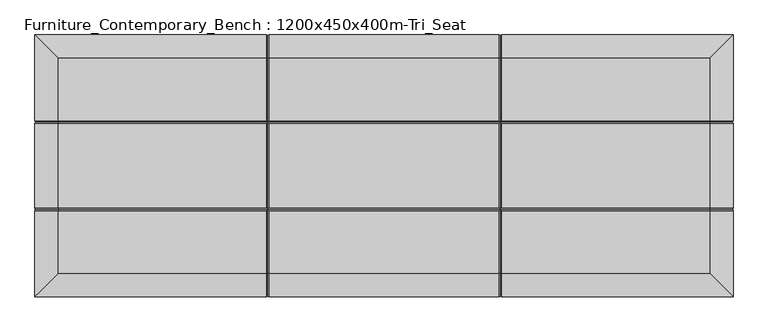
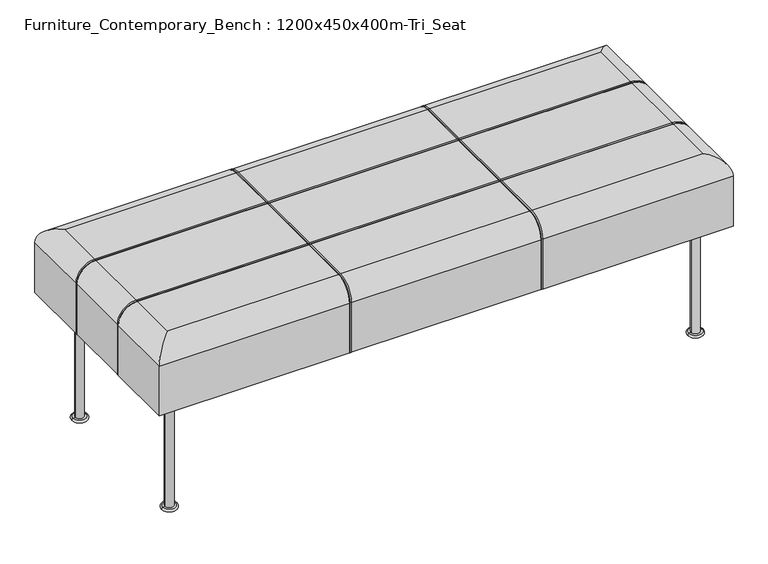
"""IFC4 building model written with IfcOpenShell, lengths in millimetres: furniture geometry, Furniture_Contemporary_Bench : 1200x450x400m-Tri_Seat."""

from ifc_helpers import new_model, si_unit, point, frame, origin, place, context, project, spatial, circle_curve, ellipse_curve, trimmed, source, transform, mapped, element, save
from ifc_brep_helpers import plane_surface, cylinder_surface, revolved_surface, advanced_brep


def furniture_contemporary_bench_1200x450x400m_tri_seat_803c06e8(model_context):
    return source(origin(), model_context, "Body", "AdvancedBrep", [
        advanced_brep(
        [(662.3811933, 50.0, 5.0), (662.3811933, 50.0, 250.0), (680.3811933, 50.0, 250.0), (680.3811933, 50.0, 5.0), (657.3811933, 50.0, 5.0), (685.3811933, 50.0, 5.0), (657.3811933, 50.0, 0.0), (685.3811933, 50.0, 0.0), (671.3811933, 50.0, 0.0), (671.3811933, 50.0, 250.0)],
        [
            (0, 1),
            (1, 2, circle_curve(frame((671.3811933, 50.0, 250.0), z_axis=(0.0, 0.0, -1.0), x_axis=(1.0, 0.0, 0.0)), 9.0)),
            (2, 3),
            (3, 0, circle_curve(frame((671.3811933, 50.0, 5.0), z_axis=(0.0, 0.0, 1.0), x_axis=(1.0, 0.0, 0.0)), 9.0)),
            (2, 1, circle_curve(frame((671.3811933, 50.0, 250.0), z_axis=(0.0, 0.0, -1.0), x_axis=(1.0, 0.0, 0.0)), 9.0)),
            (0, 3, circle_curve(frame((671.3811933, 50.0, 5.0), z_axis=(0.0, 0.0, 1.0), x_axis=(1.0, 0.0, 0.0)), 9.0)),
            (4, 0),
            (3, 5),
            (5, 4, circle_curve(frame((671.3811933, 50.0, 5.0), z_axis=(0.0, 0.0, 1.0), x_axis=(1.0, 0.0, 0.0)), 14.0)),
            (4, 5, circle_curve(frame((671.3811933, 50.0, 5.0), z_axis=(0.0, 0.0, 1.0), x_axis=(1.0, 0.0, 0.0)), 14.0)),
            (6, 4, circle_curve(frame((657.3811933, 50.0, 2.5), z_axis=(0.0, 1.0, 0.0), x_axis=(1.0, 0.0, 0.0)), 2.5)),
            (5, 7, circle_curve(frame((685.3811933, 50.0, 2.5), z_axis=(0.0, 1.0, 0.0), x_axis=(-1.0, 0.0, 0.0)), 2.5)),
            (7, 6, circle_curve(frame((671.3811933, 50.0, 0.0), z_axis=(0.0, 0.0, 1.0), x_axis=(1.0, 0.0, 0.0)), 14.0)),
            (6, 7, circle_curve(frame((671.3811933, 50.0, 0.0), z_axis=(0.0, 0.0, 1.0), x_axis=(1.0, 0.0, 0.0)), 14.0)),
            (8, 6),
            (7, 8),
            (1, 9),
            (9, 2),
        ],
        [
            cylinder_surface(frame((671.3811933, 50.0, -55.0), z_axis=(0.0, 0.0, -1.0), x_axis=(1.0, 0.0, 0.0)), 9.0),
            plane_surface(frame((671.3811933, 50.0, 5.0), z_axis=(0.0, 0.0, 1.0), x_axis=(1.0, 0.0, 0.0))),
            revolved_surface(trimmed(ellipse_curve(frame((685.3811933, 50.0, 2.5), z_axis=(0.0, 1.0, 0.0), x_axis=(-1.0, 0.0, 0.0)), 2.5, 2.5), [point((685.3811933, 50.0, 5.0))], [point((685.3811933, 50.0, 0.0))], True, "CARTESIAN"), (671.3811933, 50.0, -55.0), (0.0, 0.0, -1.0)),
            plane_surface(frame((671.3811933, 50.0, 0.0), z_axis=(0.0, 0.0, -1.0), x_axis=(1.0, 0.0, 0.0))),
            plane_surface(frame((671.3811933, 50.0, 250.0), z_axis=(0.0, 0.0, 1.0), x_axis=(1.0, 0.0, 0.0))),
        ],
        [
            (0, [[1, 2, 3, 4]]),
            (0, [[-3, 5, -1, 6]]),
            (1, [[7, -4, 8, 9]]),
            (1, [[-8, -6, -7, 10]]),
            (2, [[11, -9, 12, 13]]),
            (2, [[-12, -10, -11, 14]]),
            (3, [[15, -13, 16]]),
            (3, [[-16, -14, -15]]),
            (4, [[17, 18, -2]]),
            (4, [[-18, -17, -5]]),
        ],
    ),
        advanced_brep(
        [(-428.6188067, 50.0, 250.0), (-419.6188067, 50.0, 250.0), (-437.6188067, 50.0, 250.0), (-414.6188067, 50.0, 0.0), (-428.6188067, 50.0, 0.0), (-442.6188067, 50.0, 0.0), (-414.6188067, 50.0, 5.0), (-442.6188067, 50.0, 5.0), (-419.6188067, 50.0, 5.0), (-437.6188067, 50.0, 5.0)],
        [
            (0, 1),
            (1, 2, circle_curve(frame((-428.6188067, 50.0, 250.0), z_axis=(0.0, 0.0, 1.0), x_axis=(-1.0, 0.0, 0.0)), 9.0)),
            (2, 0),
            (2, 1, circle_curve(frame((-428.6188067, 50.0, 250.0), z_axis=(0.0, 0.0, 1.0), x_axis=(-1.0, 0.0, 0.0)), 9.0)),
            (3, 4),
            (4, 5),
            (5, 3, circle_curve(frame((-428.6188067, 50.0, 0.0), z_axis=(0.0, 0.0, -1.0), x_axis=(-1.0, 0.0, 0.0)), 14.0)),
            (3, 5, circle_curve(frame((-428.6188067, 50.0, 0.0), z_axis=(0.0, 0.0, -1.0), x_axis=(-1.0, 0.0, 0.0)), 14.0)),
            (6, 3, circle_curve(frame((-414.6188067, 50.0, 2.5), z_axis=(0.0, 1.0, 0.0), x_axis=(1.0, 0.0, 0.0)), 2.5)),
            (5, 7, circle_curve(frame((-442.6188067, 50.0, 2.5), z_axis=(0.0, 1.0, 0.0), x_axis=(-1.0, 0.0, 0.0)), 2.5)),
            (7, 6, circle_curve(frame((-428.6188067, 50.0, 5.0), z_axis=(0.0, 0.0, -1.0), x_axis=(-1.0, 0.0, 0.0)), 14.0)),
            (6, 7, circle_curve(frame((-428.6188067, 50.0, 5.0), z_axis=(0.0, 0.0, -1.0), x_axis=(-1.0, 0.0, 0.0)), 14.0)),
            (8, 6),
            (7, 9),
            (9, 8, circle_curve(frame((-428.6188067, 50.0, 5.0), z_axis=(0.0, 0.0, -1.0), x_axis=(-1.0, 0.0, 0.0)), 9.0)),
            (8, 9, circle_curve(frame((-428.6188067, 50.0, 5.0), z_axis=(0.0, 0.0, -1.0), x_axis=(-1.0, 0.0, 0.0)), 9.0)),
            (1, 8),
            (9, 2),
        ],
        [
            plane_surface(frame((-428.6188067, 50.0, 250.0), z_axis=(0.0, 0.0, 1.0), x_axis=(-1.0, 0.0, 0.0))),
            plane_surface(frame((-428.6188067, 50.0, 0.0), z_axis=(0.0, 0.0, -1.0), x_axis=(-1.0, 0.0, 0.0))),
            revolved_surface(trimmed(ellipse_curve(frame((-442.6188067, 50.0, 2.5), z_axis=(0.0, 1.0, 0.0), x_axis=(-1.0, 0.0, 0.0)), 2.5, 2.5), [point((-442.6188067, 50.0, 0.0))], [point((-442.6188067, 50.0, 5.0))], True, "CARTESIAN"), (-428.6188067, 50.0, -55.0), (0.0, 0.0, 1.0)),
            plane_surface(frame((-428.6188067, 50.0, 5.0), z_axis=(0.0, 0.0, 1.0), x_axis=(-1.0, 0.0, 0.0))),
            cylinder_surface(frame((-428.6188067, 50.0, -55.0), z_axis=(0.0, 0.0, 1.0), x_axis=(-1.0, 0.0, 0.0)), 9.0),
        ],
        [
            (0, [[1, 2, 3]]),
            (0, [[-3, 4, -1]]),
            (1, [[5, 6, 7]]),
            (1, [[-6, -5, 8]]),
            (2, [[9, -7, 10, 11]]),
            (2, [[-10, -8, -9, 12]]),
            (3, [[13, -11, 14, 15]]),
            (3, [[-14, -12, -13, 16]]),
            (4, [[17, -15, 18, -2]]),
            (4, [[-18, -16, -17, -4]]),
        ],
    ),
        advanced_brep(
        [(662.3811933, 375.0, 5.0), (662.3811933, 375.0, 250.0), (680.3811933, 375.0, 250.0), (680.3811933, 375.0, 5.0), (657.3811933, 375.0, 5.0), (685.3811933, 375.0, 5.0), (657.3811933, 375.0, 0.0), (685.3811933, 375.0, 0.0), (671.3811933, 375.0, 0.0), (671.3811933, 375.0, 250.0)],
        [
            (0, 1),
            (1, 2, circle_curve(frame((671.3811933, 375.0, 250.0), z_axis=(0.0, 0.0, -1.0), x_axis=(1.0, 0.0, 0.0)), 9.0)),
            (2, 3),
            (3, 0, circle_curve(frame((671.3811933, 375.0, 5.0), z_axis=(0.0, 0.0, 1.0), x_axis=(1.0, 0.0, 0.0)), 9.0)),
            (2, 1, circle_curve(frame((671.3811933, 375.0, 250.0), z_axis=(0.0, 0.0, -1.0), x_axis=(1.0, 0.0, 0.0)), 9.0)),
            (0, 3, circle_curve(frame((671.3811933, 375.0, 5.0), z_axis=(0.0, 0.0, 1.0), x_axis=(1.0, 0.0, 0.0)), 9.0)),
            (4, 0),
            (3, 5),
            (5, 4, circle_curve(frame((671.3811933, 375.0, 5.0), z_axis=(0.0, 0.0, 1.0), x_axis=(1.0, 0.0, 0.0)), 14.0)),
            (4, 5, circle_curve(frame((671.3811933, 375.0, 5.0), z_axis=(0.0, 0.0, 1.0), x_axis=(1.0, 0.0, 0.0)), 14.0)),
            (6, 4, circle_curve(frame((657.3811933, 375.0, 2.5), z_axis=(0.0, 1.0, 0.0), x_axis=(-1.0, 0.0, 0.0)), 2.5)),
            (5, 7, circle_curve(frame((685.3811933, 375.0, 2.5), z_axis=(0.0, 1.0, 0.0), x_axis=(1.0, 0.0, 0.0)), 2.5)),
            (7, 6, circle_curve(frame((671.3811933, 375.0, 0.0), z_axis=(0.0, 0.0, 1.0), x_axis=(1.0, 0.0, 0.0)), 14.0)),
            (6, 7, circle_curve(frame((671.3811933, 375.0, 0.0), z_axis=(0.0, 0.0, 1.0), x_axis=(1.0, 0.0, 0.0)), 14.0)),
            (8, 6),
            (7, 8),
            (1, 9),
            (9, 2),
        ],
        [
            cylinder_surface(frame((671.3811933, 375.0, -55.0), z_axis=(0.0, 0.0, -1.0), x_axis=(1.0, 0.0, 0.0)), 9.0),
            plane_surface(frame((671.3811933, 375.0, 5.0), z_axis=(0.0, 0.0, 1.0), x_axis=(1.0, 0.0, 0.0))),
            revolved_surface(trimmed(ellipse_curve(frame((685.3811933, 375.0, 2.5), z_axis=(0.0, 1.0, 0.0), x_axis=(1.0, 0.0, 0.0)), 2.5, 2.5), [point((685.3811933, 375.0, 5.0))], [point((685.3811933, 375.0, 0.0))], True, "CARTESIAN"), (671.3811933, 375.0, -55.0), (0.0, 0.0, -1.0)),
            plane_surface(frame((671.3811933, 375.0, 0.0), z_axis=(0.0, 0.0, -1.0), x_axis=(1.0, 0.0, 0.0))),
            plane_surface(frame((671.3811933, 375.0, 250.0), z_axis=(0.0, 0.0, 1.0), x_axis=(1.0, 0.0, 0.0))),
        ],
        [
            (0, [[1, 2, 3, 4]]),
            (0, [[-3, 5, -1, 6]]),
            (1, [[7, -4, 8, 9]]),
            (1, [[-8, -6, -7, 10]]),
            (2, [[11, -9, 12, 13]]),
            (2, [[-12, -10, -11, 14]]),
            (3, [[15, -13, 16]]),
            (3, [[-16, -14, -15]]),
            (4, [[17, 18, -2]]),
            (4, [[-18, -17, -5]]),
        ],
    ),
        advanced_brep(
        [(-428.6188067, 375.0, 250.0), (-419.6188067, 375.0, 250.0), (-437.6188067, 375.0, 250.0), (-414.6188067, 375.0, 0.0), (-428.6188067, 375.0, 0.0), (-442.6188067, 375.0, 0.0), (-414.6188067, 375.0, 5.0), (-442.6188067, 375.0, 5.0), (-419.6188067, 375.0, 5.0), (-437.6188067, 375.0, 5.0)],
        [
            (0, 1),
            (1, 2, circle_curve(frame((-428.6188067, 375.0, 250.0), z_axis=(0.0, 0.0, 1.0), x_axis=(-1.0, 0.0, 0.0)), 9.0)),
            (2, 0),
            (2, 1, circle_curve(frame((-428.6188067, 375.0, 250.0), z_axis=(0.0, 0.0, 1.0), x_axis=(-1.0, 0.0, 0.0)), 9.0)),
            (3, 4),
            (4, 5),
            (5, 3, circle_curve(frame((-428.6188067, 375.0, 0.0), z_axis=(0.0, 0.0, -1.0), x_axis=(-1.0, 0.0, 0.0)), 14.0)),
            (3, 5, circle_curve(frame((-428.6188067, 375.0, 0.0), z_axis=(0.0, 0.0, -1.0), x_axis=(-1.0, 0.0, 0.0)), 14.0)),
            (6, 3, circle_curve(frame((-414.6188067, 375.0, 2.5), z_axis=(0.0, 1.0, 0.0), x_axis=(1.0, 0.0, 0.0)), 2.5)),
            (5, 7, circle_curve(frame((-442.6188067, 375.0, 2.5), z_axis=(0.0, 1.0, 0.0), x_axis=(-1.0, 0.0, 0.0)), 2.5)),
            (7, 6, circle_curve(frame((-428.6188067, 375.0, 5.0), z_axis=(0.0, 0.0, -1.0), x_axis=(-1.0, 0.0, 0.0)), 14.0)),
            (6, 7, circle_curve(frame((-428.6188067, 375.0, 5.0), z_axis=(0.0, 0.0, -1.0), x_axis=(-1.0, 0.0, 0.0)), 14.0)),
            (8, 6),
            (7, 9),
            (9, 8, circle_curve(frame((-428.6188067, 375.0, 5.0), z_axis=(0.0, 0.0, -1.0), x_axis=(-1.0, 0.0, 0.0)), 9.0)),
            (8, 9, circle_curve(frame((-428.6188067, 375.0, 5.0), z_axis=(0.0, 0.0, -1.0), x_axis=(-1.0, 0.0, 0.0)), 9.0)),
            (1, 8),
            (9, 2),
        ],
        [
            plane_surface(frame((-428.6188067, 375.0, 250.0), z_axis=(0.0, 0.0, 1.0), x_axis=(-1.0, 0.0, 0.0))),
            plane_surface(frame((-428.6188067, 375.0, 0.0), z_axis=(0.0, 0.0, -1.0), x_axis=(-1.0, 0.0, 0.0))),
            revolved_surface(trimmed(ellipse_curve(frame((-442.6188067, 375.0, 2.5), z_axis=(0.0, 1.0, 0.0), x_axis=(-1.0, 0.0, 0.0)), 2.5, 2.5), [point((-442.6188067, 375.0, 0.0))], [point((-442.6188067, 375.0, 5.0))], True, "CARTESIAN"), (-428.6188067, 375.0, -55.0), (0.0, 0.0, 1.0)),
            plane_surface(frame((-428.6188067, 375.0, 5.0), z_axis=(0.0, 0.0, 1.0), x_axis=(-1.0, 0.0, 0.0))),
            cylinder_surface(frame((-428.6188067, 375.0, -55.0), z_axis=(0.0, 0.0, 1.0), x_axis=(-1.0, 0.0, 0.0)), 9.0),
        ],
        [
            (0, [[1, 2, 3]]),
            (0, [[-3, 4, -1]]),
            (1, [[5, 6, 7]]),
            (1, [[-6, -5, 8]]),
            (2, [[9, -7, 10, 11]]),
            (2, [[-10, -8, -9, 12]]),
            (3, [[13, -11, 14, 15]]),
            (3, [[-14, -12, -13, 16]]),
            (4, [[17, -15, 18, -2]]),
            (4, [[-18, -16, -17, -4]]),
        ],
    ),
        advanced_brep(
        [(-478.6188067, 450.0, 360.0), (-81.2982144, 450.0, 360.0), (-81.2982159, 450.0, 250.0), (-478.6188067, 450.0, 250.0), (721.3811933, 450.0, 250.0), (324.0606025, 450.0, 250.0), (324.0606025, 450.0, 360.0), (721.3811933, 450.0, 360.0), (-75.9393975, 450.0, 250.0), (-75.9393975, 450.0, 360.0), (318.7017856, 450.0, 360.0), (318.7017841, 450.0, 250.0), (721.3811933, 0.0, 360.0), (324.0606025, 0.0, 360.0), (324.0606025, 0.0, 250.0), (721.3811933, 0.0, 250.0), (-478.6188067, 0.0, 250.0), (-81.2982159, 0.0, 250.0), (-81.2982159, 0.0, 360.0), (-478.6188067, 0.0, 360.0), (318.7017841, 0.0, 250.0), (318.7017841, 0.0, 360.0), (-75.9393975, 0.0, 360.0), (-75.9393975, 0.0, 250.0), (-438.6188067, 302.6794092, 400.0), (-81.2982159, 302.6794092, 400.0), (-81.2982159, 410.0, 400.0), (-438.6188067, 410.0, 400.0), (-438.6188067, 40.0, 400.0), (-81.2982146, 40.0, 400.0), (-81.2982159, 147.3205908, 400.0), (-438.6188067, 147.3205908, 400.0), (-438.6188067, 152.6794092, 400.0), (-81.2982159, 152.6794092, 400.0), (-81.2982159, 297.3205908, 400.0), (-438.6188067, 297.3205908, 400.0), (681.3811933, 410.0, 400.0), (324.0606025, 410.0, 400.0), (324.0606025, 302.6794092, 400.0), (681.3811933, 302.6794092, 400.0), (681.3811933, 147.3205908, 400.0), (324.0606025, 147.3205908, 400.0), (324.0606025, 40.0, 400.0), (681.3811933, 40.0, 400.0), (681.3811933, 297.3205908, 400.0), (324.0606025, 297.3205908, 400.0), (324.0606025, 152.6794092, 400.0), (681.3811933, 152.6794092, 400.0), (318.7017841, 40.0, 400.0), (318.7017841, 147.3205908, 400.0), (-75.9393975, 147.3205908, 400.0), (-75.9393975, 40.0, 400.0), (-75.9393975, 410.0, 400.0), (-75.9393975, 302.6794092, 400.0), (318.7017841, 302.6794092, 400.0), (318.7017841, 410.0, 400.0), (-75.9393975, 297.3205908, 400.0), (-75.9393975, 152.6794092, 400.0), (318.7017841, 152.6794092, 400.0), (318.7017841, 297.3205908, 400.0), (-478.6188067, 302.6794092, 250.0), (-478.6188067, 302.6794092, 360.0), (-478.6188067, 147.3205908, 360.0), (-478.6188067, 147.3205908, 250.0), (-478.6188067, 297.3205908, 360.0), (-478.6188067, 297.3205908, 250.0), (-478.6188067, 152.6794092, 250.0), (-478.6188067, 152.6794092, 360.0), (-78.6188067, 447.3205908, 250.0), (321.3811933, 447.3205908, 250.0), (721.3811933, 302.6794092, 250.0), (718.7017841, 300.0, 250.0), (721.3811933, 297.3205908, 250.0), (721.3811933, 152.6794092, 250.0), (718.7017841, 150.0, 250.0), (721.3811933, 147.3205908, 250.0), (321.3811933, 2.6794092, 250.0), (-78.6188067, 2.6794092, 250.0), (-475.9393975, 150.0, 250.0), (-475.9393975, 300.0, 250.0), (721.3811933, 147.3205908, 360.0), (721.3811933, 302.6794092, 360.0), (721.3811933, 297.3205908, 360.0), (721.3811933, 152.6794095, 360.0), (-475.9393975, 300.0, 360.0), (-475.9393975, 150.0, 360.0), (-438.6188067, 300.0, 397.3205908), (-438.6188067, 150.0, 397.3205908), (-78.6188067, 300.0, 397.3205908), (681.3811933, 300.0, 397.3205908), (321.3811933, 300.0, 397.3205908), (-78.6188067, 150.0, 397.3205908), (681.3811933, 150.0, 397.3205908), (321.3811933, 150.0, 397.3205908), (718.7017841, 300.0, 360.0), (718.7017841, 150.0, 360.0), (-78.6188067, 2.6794092, 360.0), (321.3811933, 2.6794092, 360.0), (-78.6188067, 40.0, 397.3205908), (321.3811933, 40.0, 397.3205908), (-78.6188067, 410.0, 397.3205908), (321.3811933, 410.0, 397.3205908), (-78.6188067, 447.3205908, 360.0), (321.3811933, 447.3205908, 360.0)],
        [
            (0, 1),
            (1, 2),
            (2, 3),
            (3, 0),
            (4, 5),
            (5, 6),
            (6, 7),
            (7, 4),
            (8, 9),
            (9, 10),
            (10, 11),
            (11, 8),
            (12, 13),
            (13, 14),
            (14, 15),
            (15, 12),
            (16, 17),
            (17, 18),
            (18, 19),
            (19, 16),
            (20, 21),
            (21, 22),
            (22, 23),
            (23, 20),
            (24, 25),
            (25, 26),
            (26, 27),
            (27, 24),
            (28, 29),
            (29, 30),
            (30, 31),
            (31, 28),
            (32, 33),
            (33, 34),
            (34, 35),
            (35, 32),
            (36, 37),
            (37, 38),
            (38, 39),
            (39, 36),
            (40, 41),
            (41, 42),
            (42, 43),
            (43, 40),
            (44, 45),
            (45, 46),
            (46, 47),
            (47, 44),
            (48, 49),
            (49, 50),
            (50, 51),
            (51, 48),
            (52, 53),
            (53, 54),
            (54, 55),
            (55, 52),
            (56, 57),
            (57, 58),
            (58, 59),
            (59, 56),
            (3, 60),
            (60, 61),
            (61, 0),
            (19, 62),
            (62, 63),
            (63, 16),
            (64, 65),
            (65, 66),
            (66, 67),
            (67, 64),
            (2, 68, circle_curve(frame((-81.2982159, 447.3205908, 250.0), z_axis=(0.0, 0.0, -1.0), x_axis=(1.0, 0.0, 0.0)), 2.6794092)),
            (68, 8, circle_curve(frame((-75.9393975, 447.3205908, 250.0), z_axis=(0.0, 0.0, -1.0), x_axis=(1.0, 0.0, 0.0)), 2.6794092)),
            (11, 69, circle_curve(frame((318.7017841, 447.3205908, 250.0), z_axis=(0.0, 0.0, -1.0), x_axis=(1.0, 0.0, 0.0)), 2.6794092)),
            (69, 5, circle_curve(frame((324.0606025, 447.3205908, 250.0), z_axis=(0.0, 0.0, -1.0), x_axis=(1.0, 0.0, 0.0)), 2.6794092)),
            (4, 70),
            (70, 71, circle_curve(frame((718.7017841, 302.6794092, 250.0), z_axis=(0.0, 0.0, -1.0), x_axis=(-1.0, 0.0, 0.0)), 2.6794092)),
            (71, 72, circle_curve(frame((718.7017841, 297.3205908, 250.0), z_axis=(0.0, 0.0, -1.0), x_axis=(-1.0, 0.0, 0.0)), 2.6794092)),
            (72, 73),
            (73, 74, circle_curve(frame((718.7017841, 152.6794092, 250.0), z_axis=(0.0, 0.0, -1.0), x_axis=(-1.0, 0.0, 0.0)), 2.6794092)),
            (74, 75, circle_curve(frame((718.7017841, 147.3205908, 250.0), z_axis=(0.0, 0.0, -1.0), x_axis=(-1.0, 0.0, 0.0)), 2.6794092)),
            (75, 15),
            (14, 76, circle_curve(frame((324.0606025, 2.6794092, 250.0), z_axis=(0.0, 0.0, -1.0), x_axis=(1.0, 0.0, 0.0)), 2.6794092)),
            (76, 20, circle_curve(frame((318.7017841, 2.6794092, 250.0), z_axis=(0.0, 0.0, -1.0), x_axis=(1.0, 0.0, 0.0)), 2.6794092)),
            (23, 77, circle_curve(frame((-75.9393975, 2.6794092, 250.0), z_axis=(0.0, 0.0, -1.0), x_axis=(1.0, 0.0, 0.0)), 2.6794092)),
            (77, 17, circle_curve(frame((-81.2982159, 2.6794092, 250.0), z_axis=(0.0, 0.0, -1.0), x_axis=(1.0, 0.0, 0.0)), 2.6794092)),
            (63, 78, circle_curve(frame((-475.9393975, 147.3205908, 250.0), z_axis=(0.0, 0.0, -1.0), x_axis=(1.0, 0.0, 0.0)), 2.6794092)),
            (78, 66, circle_curve(frame((-475.9393975, 152.6794092, 250.0), z_axis=(0.0, 0.0, -1.0), x_axis=(1.0, 0.0, 0.0)), 2.6794092)),
            (65, 79, circle_curve(frame((-475.9393975, 297.3205908, 250.0), z_axis=(0.0, 0.0, -1.0), x_axis=(1.0, 0.0, 0.0)), 2.6794092)),
            (79, 60, circle_curve(frame((-475.9393975, 302.6794092, 250.0), z_axis=(0.0, 0.0, -1.0), x_axis=(1.0, 0.0, 0.0)), 2.6794092)),
            (75, 80),
            (80, 12),
            (7, 81),
            (81, 70),
            (72, 82),
            (82, 83),
            (83, 73),
            (31, 62, circle_curve(frame((-438.6188067, 147.3205908, 360.0), z_axis=(0.0, -1.0, 0.0), x_axis=(-1.0, 0.0, 0.0)), 40.0)),
            (19, 28, ellipse_curve(frame((-438.6188067, 40.0, 360.0), z_axis=(-0.7071067811865475, 0.7071067811865475, 0.0), x_axis=(-0.7071067811865474, -0.7071067811865476, 0.0)), 56.5685425, 40.0)),
            (61, 24, circle_curve(frame((-438.6188067, 302.6794092, 360.0), z_axis=(0.0, 1.0, 0.0), x_axis=(-1.0, 0.0, 0.0)), 40.0)),
            (27, 0, ellipse_curve(frame((-438.6188067, 410.0, 360.0), z_axis=(-0.7071067811865475, -0.7071067811865475, 0.0), x_axis=(0.7071067811865474, -0.7071067811865476, 0.0)), 56.5685425, 40.0)),
            (35, 64, circle_curve(frame((-438.6188067, 297.3205908, 360.0), z_axis=(0.0, -1.0, 0.0), x_axis=(-1.0, 0.0, 0.0)), 40.0)),
            (67, 32, circle_curve(frame((-438.6188067, 152.6794092, 360.0), z_axis=(0.0, 1.0, 0.0), x_axis=(-1.0, 0.0, 0.0)), 40.0)),
            (18, 29, circle_curve(frame((-81.2982159, 40.0, 360.0), z_axis=(-1.0, 0.0, 0.0), x_axis=(0.0, -1.0, 0.0)), 40.0)),
            (42, 13, circle_curve(frame((324.0606025, 40.0, 360.0), z_axis=(1.0, 0.0, 0.0), x_axis=(0.0, -1.0, 0.0)), 40.0)),
            (12, 43, ellipse_curve(frame((681.3811933, 40.0, 360.0), z_axis=(-0.7071067811865475, -0.7071067811865475, 0.0), x_axis=(0.7071067811865476, -0.7071067811865474, 0.0)), 56.5685425, 40.0)),
            (21, 48, circle_curve(frame((318.7017841, 40.0, 360.0), z_axis=(-1.0, 0.0, 0.0), x_axis=(0.0, -1.0, 0.0)), 40.0)),
            (51, 22, circle_curve(frame((-75.9393975, 40.0, 360.0), z_axis=(1.0, 0.0, 0.0), x_axis=(0.0, -1.0, 0.0)), 40.0)),
            (39, 81, circle_curve(frame((681.3811933, 302.6794092, 360.0), z_axis=(0.0, 1.0, 0.0), x_axis=(1.0, 0.0, 0.0)), 40.0)),
            (7, 36, ellipse_curve(frame((681.3811933, 410.0, 360.0), z_axis=(0.7071067811865475, -0.7071067811865475, 0.0), x_axis=(0.7071067811865474, 0.7071067811865476, 0.0)), 56.5685425, 40.0)),
            (80, 40, circle_curve(frame((681.3811933, 147.3205908, 360.0), z_axis=(0.0, -1.0, 0.0), x_axis=(1.0, 0.0, 0.0)), 40.0)),
            (47, 83, circle_curve(frame((681.3811933, 152.6794092, 360.0), z_axis=(0.0, 1.0, 0.0), x_axis=(1.0, 0.0, 0.0)), 40.0)),
            (82, 44, circle_curve(frame((681.3811933, 297.3205908, 360.0), z_axis=(0.0, -1.0, 0.0), x_axis=(1.0, 0.0, 0.0)), 40.0)),
            (6, 37, circle_curve(frame((324.0606025, 410.0, 360.0), z_axis=(1.0, 0.0, 0.0), x_axis=(0.0, 1.0, 0.0)), 40.0)),
            (26, 1, circle_curve(frame((-81.2982159, 410.0, 360.0), z_axis=(-1.0, 0.0, 0.0), x_axis=(0.0, 1.0, 0.0)), 40.0)),
            (9, 52, circle_curve(frame((-75.9393975, 410.0, 360.0), z_axis=(1.0, 0.0, 0.0), x_axis=(0.0, 1.0, 0.0)), 40.0)),
            (55, 10, circle_curve(frame((318.7017841, 410.0, 360.0), z_axis=(-1.0, 0.0, 0.0), x_axis=(0.0, 1.0, 0.0)), 40.0)),
            (64, 84, circle_curve(frame((-475.9393975, 297.3205908, 360.0), z_axis=(0.0, 0.0, -1.0), x_axis=(1.0, 0.0, 0.0)), 2.6794092)),
            (84, 79),
            (84, 61, circle_curve(frame((-475.9393975, 302.6794092, 360.0), z_axis=(0.0, 0.0, -1.0), x_axis=(1.0, 0.0, 0.0)), 2.6794092)),
            (62, 85, circle_curve(frame((-475.9393975, 147.3205908, 360.0), z_axis=(0.0, 0.0, -1.0), x_axis=(1.0, 0.0, 0.0)), 2.6794092)),
            (85, 78),
            (85, 67, circle_curve(frame((-475.9393975, 152.6794092, 360.0), z_axis=(0.0, 0.0, -1.0), x_axis=(1.0, 0.0, 0.0)), 2.6794092)),
            (35, 86, circle_curve(frame((-438.6188067, 297.3205908, 397.3205908), z_axis=(-1.0, 0.0, 0.0), x_axis=(0.0, 0.0, -1.0)), 2.6794092)),
            (86, 84, circle_curve(frame((-438.6188067, 300.0, 360.0), z_axis=(0.0, -1.0, 0.0), x_axis=(-1.0, 0.0, 0.0)), 37.3205908)),
            (86, 24, circle_curve(frame((-438.6188067, 302.6794092, 397.3205908), z_axis=(-1.0, 0.0, 0.0), x_axis=(0.0, 0.0, -1.0)), 2.6794092)),
            (31, 87, circle_curve(frame((-438.6188067, 147.3205908, 397.3205908), z_axis=(-1.0, 0.0, 0.0), x_axis=(0.0, 0.0, -1.0)), 2.6794092)),
            (87, 85, circle_curve(frame((-438.6188067, 150.0, 360.0), z_axis=(0.0, -1.0, 0.0), x_axis=(-1.0, 0.0, 0.0)), 37.3205908)),
            (87, 32, circle_curve(frame((-438.6188067, 152.6794092, 397.3205908), z_axis=(-1.0, 0.0, 0.0), x_axis=(0.0, 0.0, -1.0)), 2.6794092)),
            (34, 88, ellipse_curve(frame((-81.2982159, 297.3205908, 397.3205908), z_axis=(-0.7071067811865487, 0.7071067811865464, 0.0), x_axis=(0.7071067811865465, 0.7071067811865487, 0.0)), 3.7892569, 2.6794092)),
            (88, 86),
            (89, 90),
            (90, 45, ellipse_curve(frame((324.0606025, 297.3205908, 397.3205908), z_axis=(0.7071067811865464, 0.7071067811865487, 0.0), x_axis=(0.7071067811865487, -0.7071067811865464, 0.0)), 3.7892569, 2.6794092)),
            (44, 89, circle_curve(frame((681.3811933, 297.3205908, 397.3205908), z_axis=(-1.0, 0.0, 0.0), x_axis=(0.0, 0.0, -1.0)), 2.6794092)),
            (59, 90, ellipse_curve(frame((318.7017841, 297.3205908, 397.3205908), z_axis=(-0.7071067811865487, 0.7071067811865464, 0.0), x_axis=(0.7071067811865465, 0.7071067811865487, 0.0)), 3.7892569, 2.6794092)),
            (90, 88),
            (88, 56, ellipse_curve(frame((-75.9393975, 297.3205908, 397.3205908), z_axis=(0.7071067811865464, 0.7071067811865487, 0.0), x_axis=(0.7071067811865487, -0.7071067811865464, 0.0)), 3.7892569, 2.6794092)),
            (38, 90, ellipse_curve(frame((324.0606025, 302.6794092, 397.3205908), z_axis=(0.7071067811865487, -0.7071067811865464, 0.0), x_axis=(0.7071067811865465, 0.7071067811865487, 0.0)), 3.7892569, 2.6794092)),
            (89, 39, circle_curve(frame((681.3811933, 302.6794092, 397.3205908), z_axis=(-1.0, 0.0, 0.0), x_axis=(0.0, 0.0, -1.0)), 2.6794092)),
            (88, 25, ellipse_curve(frame((-81.2982159, 302.6794092, 397.3205908), z_axis=(-0.7071067811865464, -0.7071067811865487, 0.0), x_axis=(0.7071067811865487, -0.7071067811865464, 0.0)), 3.7892569, 2.6794092)),
            (53, 88, ellipse_curve(frame((-75.9393975, 302.6794092, 397.3205908), z_axis=(0.7071067811865487, -0.7071067811865464, 0.0), x_axis=(0.7071067811865465, 0.7071067811865487, 0.0)), 3.7892569, 2.6794092)),
            (90, 54, ellipse_curve(frame((318.7017841, 302.6794092, 397.3205908), z_axis=(-0.7071067811865464, -0.7071067811865487, 0.0), x_axis=(0.7071067811865487, -0.7071067811865464, 0.0)), 3.7892569, 2.6794092)),
            (30, 91, ellipse_curve(frame((-81.2982159, 147.3205908, 397.3205908), z_axis=(-0.7071067811865487, 0.7071067811865464, 0.0), x_axis=(0.7071067811865465, 0.7071067811865487, 0.0)), 3.7892569, 2.6794092)),
            (91, 87),
            (92, 93),
            (93, 41, ellipse_curve(frame((324.0606025, 147.3205908, 397.3205908), z_axis=(0.7071067811865464, 0.7071067811865487, 0.0), x_axis=(0.7071067811865487, -0.7071067811865464, 0.0)), 3.7892569, 2.6794092)),
            (40, 92, circle_curve(frame((681.3811933, 147.3205908, 397.3205908), z_axis=(-1.0, 0.0, 0.0), x_axis=(0.0, 0.0, -1.0)), 2.6794092)),
            (49, 93, ellipse_curve(frame((318.7017841, 147.3205908, 397.3205908), z_axis=(-0.7071067811865487, 0.7071067811865464, 0.0), x_axis=(0.7071067811865465, 0.7071067811865487, 0.0)), 3.7892569, 2.6794092)),
            (93, 91),
            (91, 50, ellipse_curve(frame((-75.9393975, 147.3205908, 397.3205908), z_axis=(0.7071067811865464, 0.7071067811865487, 0.0), x_axis=(0.7071067811865487, -0.7071067811865464, 0.0)), 3.7892569, 2.6794092)),
            (46, 93, ellipse_curve(frame((324.0606025, 152.6794092, 397.3205908), z_axis=(0.7071067811865487, -0.7071067811865464, 0.0), x_axis=(0.7071067811865465, 0.7071067811865487, 0.0)), 3.7892569, 2.6794092)),
            (92, 47, circle_curve(frame((681.3811933, 152.6794092, 397.3205908), z_axis=(-1.0, 0.0, 0.0), x_axis=(0.0, 0.0, -1.0)), 2.6794092)),
            (91, 33, ellipse_curve(frame((-81.2982159, 152.6794092, 397.3205908), z_axis=(-0.7071067811865464, -0.7071067811865487, 0.0), x_axis=(0.7071067811865487, -0.7071067811865464, 0.0)), 3.7892569, 2.6794092)),
            (57, 91, ellipse_curve(frame((-75.9393975, 152.6794092, 397.3205908), z_axis=(0.7071067811865487, -0.7071067811865464, 0.0), x_axis=(0.7071067811865465, 0.7071067811865487, 0.0)), 3.7892569, 2.6794092)),
            (93, 58, ellipse_curve(frame((318.7017841, 152.6794092, 397.3205908), z_axis=(-0.7071067811865464, -0.7071067811865487, 0.0), x_axis=(0.7071067811865487, -0.7071067811865464, 0.0)), 3.7892569, 2.6794092)),
            (82, 94, circle_curve(frame((718.7017841, 297.3205908, 360.0), z_axis=(0.0, 0.0, 1.0), x_axis=(-1.0, 0.0, 0.0)), 2.6794092)),
            (94, 89, circle_curve(frame((681.3811933, 300.0, 360.0), z_axis=(0.0, -1.0, 0.0), x_axis=(0.0, 0.0, 1.0)), 37.3205908)),
            (94, 81, circle_curve(frame((718.7017841, 302.6794092, 360.0), z_axis=(0.0, 0.0, 1.0), x_axis=(-1.0, 0.0, 0.0)), 2.6794092)),
            (80, 95, circle_curve(frame((718.7017841, 147.3205908, 360.0), z_axis=(0.0, 0.0, 1.0), x_axis=(-1.0, 0.0, 0.0)), 2.6794092)),
            (95, 92, circle_curve(frame((681.3811933, 150.0, 360.0), z_axis=(0.0, -1.0, 0.0), x_axis=(0.0, 0.0, 1.0)), 37.3205908)),
            (95, 83, circle_curve(frame((718.7017841, 152.6794092, 360.0), z_axis=(0.0, 0.0, 1.0), x_axis=(-1.0, 0.0, 0.0)), 2.6794092)),
            (71, 94),
            (74, 95),
            (22, 96, circle_curve(frame((-75.9393975, 2.6794092, 360.0), z_axis=(0.0, 0.0, -1.0), x_axis=(1.0, 0.0, 0.0)), 2.6794092)),
            (96, 77),
            (96, 18, circle_curve(frame((-81.2982159, 2.6794092, 360.0), z_axis=(0.0, 0.0, -1.0), x_axis=(1.0, 0.0, 0.0)), 2.6794092)),
            (13, 97, circle_curve(frame((324.0606025, 2.6794092, 360.0), z_axis=(0.0, 0.0, -1.0), x_axis=(1.0, 0.0, 0.0)), 2.6794092)),
            (97, 76),
            (97, 21, circle_curve(frame((318.7017841, 2.6794092, 360.0), z_axis=(0.0, 0.0, -1.0), x_axis=(1.0, 0.0, 0.0)), 2.6794092)),
            (51, 98, circle_curve(frame((-75.9393975, 40.0, 397.3205908), z_axis=(0.0, -1.0, 0.0), x_axis=(1.0, 0.0, 0.0)), 2.6794092)),
            (98, 96, circle_curve(frame((-78.6188067, 40.0, 360.0), z_axis=(1.0, 0.0, 0.0), x_axis=(0.0, -1.0, 0.0)), 37.3205908)),
            (98, 29, circle_curve(frame((-81.2982159, 40.0, 397.3205908), z_axis=(0.0, -1.0, 0.0), x_axis=(1.0, 0.0, 0.0)), 2.6794092)),
            (42, 99, circle_curve(frame((324.0606025, 40.0, 397.3205908), z_axis=(0.0, -1.0, 0.0), x_axis=(1.0, 0.0, 0.0)), 2.6794092)),
            (99, 97, circle_curve(frame((321.3811933, 40.0, 360.0), z_axis=(1.0, 0.0, 0.0), x_axis=(0.0, -1.0, 0.0)), 37.3205908)),
            (99, 48, circle_curve(frame((318.7017841, 40.0, 397.3205908), z_axis=(0.0, -1.0, 0.0), x_axis=(1.0, 0.0, 0.0)), 2.6794092)),
            (91, 98),
            (88, 91),
            (100, 88),
            (52, 100, circle_curve(frame((-75.9393975, 410.0, 397.3205908), z_axis=(0.0, -1.0, 0.0), x_axis=(1.0, 0.0, 0.0)), 2.6794092)),
            (100, 26, circle_curve(frame((-81.2982159, 410.0, 397.3205908), z_axis=(0.0, -1.0, 0.0), x_axis=(1.0, 0.0, 0.0)), 2.6794092)),
            (93, 99),
            (90, 93),
            (101, 90),
            (37, 101, circle_curve(frame((324.0606025, 410.0, 397.3205908), z_axis=(0.0, -1.0, 0.0), x_axis=(1.0, 0.0, 0.0)), 2.6794092)),
            (101, 55, circle_curve(frame((318.7017841, 410.0, 397.3205908), z_axis=(0.0, -1.0, 0.0), x_axis=(1.0, 0.0, 0.0)), 2.6794092)),
            (9, 102, circle_curve(frame((-75.9393975, 447.3205908, 360.0), z_axis=(0.0, 0.0, 1.0), x_axis=(1.0, 0.0, 0.0)), 2.6794092)),
            (102, 100, circle_curve(frame((-78.6188067, 410.0, 360.0), z_axis=(1.0, 0.0, 0.0), x_axis=(0.0, 0.0, 1.0)), 37.3205908)),
            (102, 1, circle_curve(frame((-81.2982159, 447.3205908, 360.0), z_axis=(0.0, 0.0, 1.0), x_axis=(1.0, 0.0, 0.0)), 2.6794092)),
            (6, 103, circle_curve(frame((324.0606025, 447.3205908, 360.0), z_axis=(0.0, 0.0, 1.0), x_axis=(1.0, 0.0, 0.0)), 2.6794092)),
            (103, 101, circle_curve(frame((321.3811933, 410.0, 360.0), z_axis=(1.0, 0.0, 0.0), x_axis=(0.0, 0.0, 1.0)), 37.3205908)),
            (103, 10, circle_curve(frame((318.7017841, 447.3205908, 360.0), z_axis=(0.0, 0.0, 1.0), x_axis=(1.0, 0.0, 0.0)), 2.6794092)),
            (68, 102),
            (69, 103),
        ],
        [
            plane_surface(frame((-478.6188067, 450.0, 400.0), z_axis=(0.0, 1.0, 0.0), x_axis=(-1.0, 0.0, 0.0))),
            plane_surface(frame((-478.6188067, 0.0, 400.0), z_axis=(0.0, -1.0, 0.0), x_axis=(1.0, 0.0, 0.0))),
            plane_surface(frame((721.3811933, 450.0, 400.0), z_axis=(0.0, 0.0, 1.0), x_axis=(0.0, -1.0, 0.0))),
            plane_surface(frame((-478.6188067, 450.0, 400.0), z_axis=(-1.0, 0.0, 0.0), x_axis=(0.0, -1.0, 0.0))),
            plane_surface(frame((-478.6188067, 450.0, 250.0), z_axis=(0.0, 0.0, -1.0), x_axis=(0.0, -1.0, 0.0))),
            plane_surface(frame((721.3811933, 450.0, 250.0), z_axis=(1.0, 0.0, 0.0), x_axis=(0.0, -1.0, 0.0))),
            cylinder_surface(frame((-438.6188067, 450.0, 360.0), z_axis=(0.0, -1.0, 0.0), x_axis=(-1.0, 0.0, 0.0)), 40.0),
            cylinder_surface(frame((-478.6188067, 40.0, 360.0), z_axis=(1.0, 0.0, 0.0), x_axis=(0.0, -1.0, 0.0)), 40.0),
            cylinder_surface(frame((681.3811933, 0.0, 360.0), z_axis=(0.0, 1.0, 0.0), x_axis=(1.0, 0.0, 0.0)), 40.0),
            cylinder_surface(frame((721.3811933, 410.0, 360.0), z_axis=(-1.0, 0.0, 0.0), x_axis=(0.0, 1.0, 0.0)), 40.0),
            cylinder_surface(frame((-475.9393975, 297.3205908, 250.0), z_axis=(0.0, 0.0, 1.0), x_axis=(1.0, 0.0, 0.0)), 2.6794092),
            cylinder_surface(frame((-475.9393975, 302.6794092, 250.0), z_axis=(0.0, 0.0, 1.0), x_axis=(1.0, 0.0, 0.0)), 2.6794092),
            cylinder_surface(frame((-475.9393975, 147.3205908, 250.0), z_axis=(0.0, 0.0, 1.0), x_axis=(1.0, 0.0, 0.0)), 2.6794092),
            cylinder_surface(frame((-475.9393975, 152.6794092, 250.0), z_axis=(0.0, 0.0, 1.0), x_axis=(1.0, 0.0, 0.0)), 2.6794092),
            revolved_surface(trimmed(ellipse_curve(frame((-475.9393975, 297.3205908, 360.0), z_axis=(0.0, 0.0, 1.0), x_axis=(1.0, 0.0, 0.0)), 2.6794092, 2.6794092), [point((-475.9393975, 300.0, 360.0))], [point((-478.6188067, 297.3205908, 360.0))], True, "CARTESIAN"), (-438.6188067, 375.0, 360.0), (0.0, -1.0, 0.0)),
            revolved_surface(trimmed(ellipse_curve(frame((-475.9393975, 302.6794092, 360.0), z_axis=(0.0, 0.0, 1.0), x_axis=(1.0, 0.0, 0.0)), 2.6794092, 2.6794092), [point((-478.6188067, 302.6794092, 360.0))], [point((-475.9393975, 300.0, 360.0))], True, "CARTESIAN"), (-438.6188067, 375.0, 360.0), (0.0, -1.0, 0.0)),
            revolved_surface(trimmed(ellipse_curve(frame((-475.9393975, 147.3205908, 360.0), z_axis=(0.0, 0.0, 1.0), x_axis=(1.0, 0.0, 0.0)), 2.6794092, 2.6794092), [point((-475.9393975, 150.0, 360.0))], [point((-478.6188067, 147.3205908, 360.0))], True, "CARTESIAN"), (-438.6188067, 375.0, 360.0), (0.0, -1.0, 0.0)),
            revolved_surface(trimmed(ellipse_curve(frame((-475.9393975, 152.6794092, 360.0), z_axis=(0.0, 0.0, 1.0), x_axis=(1.0, 0.0, 0.0)), 2.6794092, 2.6794092), [point((-478.6188067, 152.6794092, 360.0))], [point((-475.9393975, 150.0, 360.0))], True, "CARTESIAN"), (-438.6188067, 375.0, 360.0), (0.0, -1.0, 0.0)),
            cylinder_surface(frame((-438.6188067, 297.3205908, 397.3205908), z_axis=(1.0, 0.0, 0.0), x_axis=(0.0, 0.0, -1.0)), 2.6794092),
            cylinder_surface(frame((-438.6188067, 302.6794092, 397.3205908), z_axis=(1.0, 0.0, 0.0), x_axis=(0.0, 0.0, -1.0)), 2.6794092),
            cylinder_surface(frame((-438.6188067, 147.3205908, 397.3205908), z_axis=(1.0, 0.0, 0.0), x_axis=(0.0, 0.0, -1.0)), 2.6794092),
            cylinder_surface(frame((-438.6188067, 152.6794092, 397.3205908), z_axis=(1.0, 0.0, 0.0), x_axis=(0.0, 0.0, -1.0)), 2.6794092),
            revolved_surface(trimmed(ellipse_curve(frame((681.3811933, 297.3205908, 397.3205908), z_axis=(1.0, 0.0, 0.0), x_axis=(0.0, 0.0, -1.0)), 2.6794092, 2.6794092), [point((681.3811933, 300.0, 397.3205908))], [point((681.3811933, 297.3205908, 400.0))], True, "CARTESIAN"), (681.3811933, 375.0, 360.0), (0.0, -1.0, 0.0)),
            revolved_surface(trimmed(ellipse_curve(frame((681.3811933, 302.6794092, 397.3205908), z_axis=(1.0, 0.0, 0.0), x_axis=(0.0, 0.0, -1.0)), 2.6794092, 2.6794092), [point((681.3811933, 302.6794092, 400.0))], [point((681.3811933, 300.0, 397.3205908))], True, "CARTESIAN"), (681.3811933, 375.0, 360.0), (0.0, -1.0, 0.0)),
            revolved_surface(trimmed(ellipse_curve(frame((681.3811933, 147.3205908, 397.3205908), z_axis=(1.0, 0.0, 0.0), x_axis=(0.0, 0.0, -1.0)), 2.6794092, 2.6794092), [point((681.3811933, 150.0, 397.3205908))], [point((681.3811933, 147.3205908, 400.0))], True, "CARTESIAN"), (681.3811933, 375.0, 360.0), (0.0, -1.0, 0.0)),
            revolved_surface(trimmed(ellipse_curve(frame((681.3811933, 152.6794092, 397.3205908), z_axis=(1.0, 0.0, 0.0), x_axis=(0.0, 0.0, -1.0)), 2.6794092, 2.6794092), [point((681.3811933, 152.6794092, 400.0))], [point((681.3811933, 150.0, 397.3205908))], True, "CARTESIAN"), (681.3811933, 375.0, 360.0), (0.0, -1.0, 0.0)),
            cylinder_surface(frame((718.7017841, 297.3205908, 360.0), z_axis=(0.0, 0.0, -1.0), x_axis=(-1.0, 0.0, 0.0)), 2.6794092),
            cylinder_surface(frame((718.7017841, 302.6794092, 360.0), z_axis=(0.0, 0.0, -1.0), x_axis=(-1.0, 0.0, 0.0)), 2.6794092),
            cylinder_surface(frame((718.7017841, 147.3205908, 360.0), z_axis=(0.0, 0.0, -1.0), x_axis=(-1.0, 0.0, 0.0)), 2.6794092),
            cylinder_surface(frame((718.7017841, 152.6794092, 360.0), z_axis=(0.0, 0.0, -1.0), x_axis=(-1.0, 0.0, 0.0)), 2.6794092),
            cylinder_surface(frame((-75.9393975, 2.6794092, 250.0), z_axis=(0.0, 0.0, 1.0), x_axis=(1.0, 0.0, 0.0)), 2.6794092),
            cylinder_surface(frame((-81.2982159, 2.6794092, 250.0), z_axis=(0.0, 0.0, 1.0), x_axis=(1.0, 0.0, 0.0)), 2.6794092),
            cylinder_surface(frame((324.0606025, 2.6794092, 250.0), z_axis=(0.0, 0.0, 1.0), x_axis=(1.0, 0.0, 0.0)), 2.6794092),
            cylinder_surface(frame((318.7017841, 2.6794092, 250.0), z_axis=(0.0, 0.0, 1.0), x_axis=(1.0, 0.0, 0.0)), 2.6794092),
            revolved_surface(trimmed(ellipse_curve(frame((-75.9393975, 2.6794092, 360.0), z_axis=(0.0, 0.0, 1.0), x_axis=(1.0, 0.0, 0.0)), 2.6794092, 2.6794092), [point((-78.6188067, 2.6794092, 360.0))], [point((-75.9393975, 0.0, 360.0))], True, "CARTESIAN"), (121.3811933, 40.0, 360.0), (1.0, 0.0, 0.0)),
            revolved_surface(trimmed(ellipse_curve(frame((-81.2982159, 2.6794092, 360.0), z_axis=(0.0, 0.0, 1.0), x_axis=(1.0, 0.0, 0.0)), 2.6794092, 2.6794092), [point((-81.2982159, 0.0, 360.0))], [point((-78.6188067, 2.6794092, 360.0))], True, "CARTESIAN"), (121.3811933, 40.0, 360.0), (1.0, 0.0, 0.0)),
            revolved_surface(trimmed(ellipse_curve(frame((324.0606025, 2.6794092, 360.0), z_axis=(0.0, 0.0, 1.0), x_axis=(1.0, 0.0, 0.0)), 2.6794092, 2.6794092), [point((321.3811933, 2.6794092, 360.0))], [point((324.0606025, 0.0, 360.0))], True, "CARTESIAN"), (121.3811933, 40.0, 360.0), (1.0, 0.0, 0.0)),
            revolved_surface(trimmed(ellipse_curve(frame((318.7017841, 2.6794092, 360.0), z_axis=(0.0, 0.0, 1.0), x_axis=(1.0, 0.0, 0.0)), 2.6794092, 2.6794092), [point((318.7017841, 0.0, 360.0))], [point((321.3811933, 2.6794092, 360.0))], True, "CARTESIAN"), (121.3811933, 40.0, 360.0), (1.0, 0.0, 0.0)),
            cylinder_surface(frame((-75.9393975, 40.0, 397.3205908), z_axis=(0.0, 1.0, 0.0), x_axis=(1.0, 0.0, 0.0)), 2.6794092),
            cylinder_surface(frame((-81.2982159, 40.0, 397.3205908), z_axis=(0.0, 1.0, 0.0), x_axis=(1.0, 0.0, 0.0)), 2.6794092),
            cylinder_surface(frame((324.0606025, 40.0, 397.3205908), z_axis=(0.0, 1.0, 0.0), x_axis=(1.0, 0.0, 0.0)), 2.6794092),
            cylinder_surface(frame((318.7017841, 40.0, 397.3205908), z_axis=(0.0, 1.0, 0.0), x_axis=(1.0, 0.0, 0.0)), 2.6794092),
            revolved_surface(trimmed(ellipse_curve(frame((-75.9393975, 410.0, 397.3205908), z_axis=(0.0, 1.0, 0.0), x_axis=(1.0, 0.0, 0.0)), 2.6794092, 2.6794092), [point((-78.6188067, 410.0, 397.3205908))], [point((-75.9393975, 410.0, 400.0))], True, "CARTESIAN"), (121.3811933, 410.0, 360.0), (1.0, 0.0, 0.0)),
            revolved_surface(trimmed(ellipse_curve(frame((-81.2982159, 410.0, 397.3205908), z_axis=(0.0, 1.0, 0.0), x_axis=(1.0, 0.0, 0.0)), 2.6794092, 2.6794092), [point((-81.2982159, 410.0, 400.0))], [point((-78.6188067, 410.0, 397.3205908))], True, "CARTESIAN"), (121.3811933, 410.0, 360.0), (1.0, 0.0, 0.0)),
            revolved_surface(trimmed(ellipse_curve(frame((324.0606025, 410.0, 397.3205908), z_axis=(0.0, 1.0, 0.0), x_axis=(1.0, 0.0, 0.0)), 2.6794092, 2.6794092), [point((321.3811933, 410.0, 397.3205908))], [point((324.0606025, 410.0, 400.0))], True, "CARTESIAN"), (121.3811933, 410.0, 360.0), (1.0, 0.0, 0.0)),
            revolved_surface(trimmed(ellipse_curve(frame((318.7017841, 410.0, 397.3205908), z_axis=(0.0, 1.0, 0.0), x_axis=(1.0, 0.0, 0.0)), 2.6794092, 2.6794092), [point((318.7017841, 410.0, 400.0))], [point((321.3811933, 410.0, 397.3205908))], True, "CARTESIAN"), (121.3811933, 410.0, 360.0), (1.0, 0.0, 0.0)),
            cylinder_surface(frame((-75.9393975, 447.3205908, 360.0), z_axis=(0.0, 0.0, -1.0), x_axis=(1.0, 0.0, 0.0)), 2.6794092),
            cylinder_surface(frame((-81.2982159, 447.3205908, 360.0), z_axis=(0.0, 0.0, -1.0), x_axis=(1.0, 0.0, 0.0)), 2.6794092),
            cylinder_surface(frame((324.0606025, 447.3205908, 360.0), z_axis=(0.0, 0.0, -1.0), x_axis=(1.0, 0.0, 0.0)), 2.6794092),
            cylinder_surface(frame((318.7017841, 447.3205908, 360.0), z_axis=(0.0, 0.0, -1.0), x_axis=(1.0, 0.0, 0.0)), 2.6794092),
        ],
        [
            (0, [[1, 2, 3, 4]]),
            (0, [[5, 6, 7, 8]]),
            (0, [[9, 10, 11, 12]]),
            (1, [[13, 14, 15, 16]]),
            (1, [[17, 18, 19, 20]]),
            (1, [[21, 22, 23, 24]]),
            (2, [[25, 26, 27, 28]]),
            (2, [[29, 30, 31, 32]]),
            (2, [[33, 34, 35, 36]]),
            (2, [[37, 38, 39, 40]]),
            (2, [[41, 42, 43, 44]]),
            (2, [[45, 46, 47, 48]]),
            (2, [[49, 50, 51, 52]]),
            (2, [[53, 54, 55, 56]]),
            (2, [[57, 58, 59, 60]]),
            (3, [[61, 62, 63, -4]]),
            (3, [[64, 65, 66, -20]]),
            (3, [[67, 68, 69, 70]]),
            (4, [[-3, 71, 72, -12, 73, 74, -5, 75, 76, 77, 78, 79, 80, 81, -15, 82, 83, -24, 84, 85, -17, -66, 86, 87, -68, 88, 89, -61]]),
            (5, [[-81, 90, 91, -16]]),
            (5, [[92, 93, -75, -8]]),
            (5, [[94, 95, 96, -78]]),
            (6, [[-32, 97, -64, 98]]),
            (6, [[-63, 99, -28, 100]]),
            (6, [[101, -70, 102, -36]]),
            (7, [[-19, 103, -29, -98]]),
            (7, [[-43, 104, -13, 105]]),
            (7, [[106, -52, 107, -22]]),
            (8, [[-40, 108, -92, 109]]),
            (8, [[-91, 110, -44, -105]]),
            (8, [[111, -95, 112, -48]]),
            (9, [[-7, 113, -37, -109]]),
            (9, [[-27, 114, -1, -100]]),
            (9, [[115, -56, 116, -10]]),
            (10, [[-88, -67, 117, 118]]),
            (11, [[119, -62, -89, -118]]),
            (12, [[-86, -65, 120, 121]]),
            (13, [[122, -69, -87, -121]]),
            (14, [[-101, 123, 124, -117]]),
            (15, [[-124, 125, -99, -119]]),
            (16, [[-97, 126, 127, -120]]),
            (17, [[-127, 128, -102, -122]]),
            (18, [[-35, 129, 130, -123]]),
            (18, [[131, 132, -45, 133]]),
            (18, [[134, 135, 136, -60]]),
            (19, [[-39, 137, -131, 138]]),
            (19, [[-130, 139, -25, -125]]),
            (19, [[140, -135, 141, -54]]),
            (20, [[-31, 142, 143, -126]]),
            (20, [[144, 145, -41, 146]]),
            (20, [[147, 148, 149, -50]]),
            (21, [[-47, 150, -144, 151]]),
            (21, [[-143, 152, -33, -128]]),
            (21, [[153, -148, 154, -58]]),
            (22, [[-112, 155, 156, -133]]),
            (23, [[-156, 157, -108, -138]]),
            (24, [[-110, 158, 159, -146]]),
            (25, [[-159, 160, -111, -151]]),
            (26, [[-94, -77, 161, -155]]),
            (27, [[-161, -76, -93, -157]]),
            (28, [[-90, -80, 162, -158]]),
            (29, [[-162, -79, -96, -160]]),
            (30, [[-84, -23, 163, 164]]),
            (31, [[165, -18, -85, -164]]),
            (32, [[-82, -14, 166, 167]]),
            (33, [[168, -21, -83, -167]]),
            (34, [[-107, 169, 170, -163]]),
            (35, [[-170, 171, -103, -165]]),
            (36, [[-104, 172, 173, -166]]),
            (37, [[-173, 174, -106, -168]]),
            (38, [[-51, -149, 175, -169]]),
            (38, [[-153, -57, -136, 176]]),
            (38, [[177, -140, -53, 178]]),
            (39, [[-26, -139, -177, 179]]),
            (39, [[-129, -34, -152, -176]]),
            (39, [[-175, -142, -30, -171]]),
            (40, [[-42, -145, 180, -172]]),
            (40, [[-150, -46, -132, 181]]),
            (40, [[182, -137, -38, 183]]),
            (41, [[-55, -141, -182, 184]]),
            (41, [[-134, -59, -154, -181]]),
            (41, [[-180, -147, -49, -174]]),
            (42, [[-115, 185, 186, -178]]),
            (43, [[-186, 187, -114, -179]]),
            (44, [[-113, 188, 189, -183]]),
            (45, [[-189, 190, -116, -184]]),
            (46, [[-9, -72, 191, -185]]),
            (47, [[-191, -71, -2, -187]]),
            (48, [[-6, -74, 192, -188]]),
            (49, [[-192, -73, -11, -190]]),
        ],
    ),
    ])


if __name__ == "__main__":
    model = new_model("IFC4")
    model_context = context("Model", 3, world=origin())
    ifc_project = project(units=[si_unit("LENGTHUNIT", "METRE", prefix="MILLI")], contexts=[model_context])
    site = spatial("IfcSite", under=ifc_project)
    building = spatial("IfcBuilding", under=site)
    placement = place(None, origin())
    furniture_contemporary_bench_1200x450x400m_tri_seat_shape = furniture_contemporary_bench_1200x450x400m_tri_seat_803c06e8(model_context)
    element("IfcFurniture", 1, ObjectType="Furniture_Contemporary_Bench : 1200x450x400m-Tri_Seat", at=placement, inside=building, context=model_context, shape_type="MappedRepresentation", body=[
        mapped(furniture_contemporary_bench_1200x450x400m_tri_seat_shape, transform((0.0, 0.0, 0.0), x_axis=(1.0, 0.0, 0.0), y_axis=(0.0, 1.0, 0.0), z_axis=(0.0, 0.0, 1.0))),
    ])
    save(model, "model.ifc")
